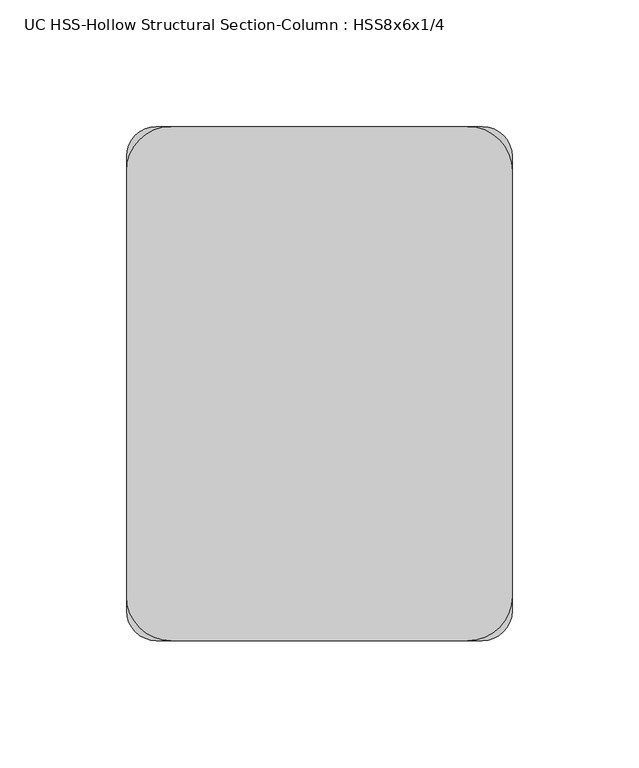
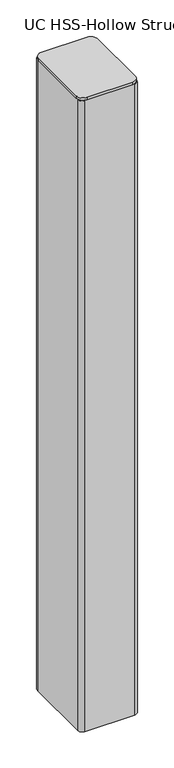
"""IFC4 building model written with IfcOpenShell, lengths in millimetres: column geometry, UC HSS-Hollow Structural Section-Column : HSS8x6x1/4."""

import ifcopenshell
import ifcopenshell.guid

model = None  # the IFC model being written
_history = None  # IfcOwnerHistory: only IFC2X3 demands one
_inside = {}  # id of a spatial element -> (the spatial element, [elements in it])
_under = {}  # id of a project, library or spatial element -> (it, [spatial elements below it])
_declared = {}  # id of a project -> (the project, [libraries it declares])
_typed = {}  # id of a type object -> (the type object, [elements of that type])
_made_of = {}  # id of a material, layer set ... -> (it, [elements and type objects made of it])


def new_model(schema):
    """Start an empty IFC model of exactly this schema.

    Asked for "IFC4X3", IfcOpenShell would pick the latest addendum, in which some entities
    have other attributes; the version numbers below select the first issue.
    IFC2X3 requires an IfcOwnerHistory on every rooted entity: one is made here for all.
    """
    global model, _history
    if schema == "IFC4X3":
        model = ifcopenshell.file(schema_version=(4, 3, 0, 0))
    else:
        model = ifcopenshell.file(schema=schema)
    _inside.clear()
    _under.clear()
    _declared.clear()
    _typed.clear()
    _made_of.clear()
    _history = None
    if model.schema == "IFC2X3":
        org = make("IfcOrganization", Name="unknown")
        user = make(
            "IfcPersonAndOrganization",
            ThePerson=make("IfcPerson", FamilyName="unknown"),
            TheOrganization=org,
        )
        app = make(
            "IfcApplication",
            ApplicationDeveloper=org,
            Version="unknown",
            ApplicationFullName="unknown",
            ApplicationIdentifier="unknown",
        )
        _history = make(
            "IfcOwnerHistory",
            OwningUser=user,
            OwningApplication=app,
            ChangeAction="ADDED",
            CreationDate=0,
        )
    return model


def make(cls, **values):
    """One entity of the class cls with the attributes given. An attribute that is None is left unset."""
    return model.create_entity(
        cls, **{name: value for name, value in values.items() if value is not None}
    )


def rooted(cls, **values):
    """An entity with a GlobalId (a new one), such as an element, a storey or a relation."""
    return make(cls, GlobalId=ifcopenshell.guid.new(), OwnerHistory=_history, **values)


def si_unit(unit_type, name, prefix=None):
    """IfcSIUnit, for example si_unit("LENGTHUNIT", "METRE", prefix="MILLI")."""
    return make("IfcSIUnit", UnitType=unit_type, Prefix=prefix, Name=name)


def assignment(units):
    """IfcUnitAssignment: the units of a project."""
    return None if units is None else make("IfcUnitAssignment", Units=units)


def point(xyz):
    """IfcCartesianPoint."""
    return None if xyz is None else make("IfcCartesianPoint", Coordinates=xyz)


def direction(xyz):
    """IfcDirection."""
    return None if xyz is None else make("IfcDirection", DirectionRatios=xyz)


def frame(location, z_axis=None, x_axis=None):
    """IfcAxis2Placement3D, a coordinate frame: its origin and axes. An axis left out is left unset."""
    return make(
        "IfcAxis2Placement3D",
        Location=point(location),
        Axis=direction(z_axis),
        RefDirection=direction(x_axis),
    )


def frame_2d(location, x_axis=None):
    """IfcAxis2Placement2D, a coordinate frame in the plane: its origin and x axis."""
    return make(
        "IfcAxis2Placement2D", Location=point(location), RefDirection=direction(x_axis)
    )


def origin():
    """The frame at (0, 0, 0) with its axes left unset."""
    return frame((0.0, 0.0, 0.0))


def place(relative_to, where):
    """IfcLocalPlacement: puts the frame where relative to a parent placement (None: the world)."""
    return make(
        "IfcLocalPlacement", PlacementRelTo=relative_to, RelativePlacement=where
    )


def context(
    kind, dimensions, precision=None, world=None, true_north=None, identifier=None
):
    """IfcGeometricRepresentationContext, for example the 3D "Model" context."""
    return make(
        "IfcGeometricRepresentationContext",
        ContextIdentifier=identifier,
        ContextType=kind,
        CoordinateSpaceDimension=dimensions,
        Precision=precision,
        WorldCoordinateSystem=world,
        TrueNorth=true_north,
    )


def project(units=None, contexts=None):
    """IfcProject with its units and contexts."""
    return rooted(
        "IfcProject",
        Name="project",
        RepresentationContexts=contexts,
        UnitsInContext=assignment(units),
    )


def spatial(cls, under=None, at=None, **own):
    """A site, building, storey or space (cls), placed at a placement, below another one or the project."""
    s = rooted(cls, ObjectPlacement=at, **own)
    if under is not None:
        _under.setdefault(under.id(), (under, []))[1].append(s)
    return s


def polyline(points):
    """IfcPolyline through the points."""
    return make("IfcPolyline", Points=[point(p) for p in points])


def circle_curve(where, radius):
    """IfcCircle in the frame where."""
    return make("IfcCircle", Position=where, Radius=radius)


def trimmed(basis, trim1, trim2, sense, master):
    """IfcTrimmedCurve: the piece of a basis curve between two trims."""
    return make(
        "IfcTrimmedCurve",
        BasisCurve=basis,
        Trim1=trim1,
        Trim2=trim2,
        SenseAgreement=sense,
        MasterRepresentation=master,
    )


def segment(curve, same_sense, transition):
    """IfcCompositeCurveSegment."""
    return make(
        "IfcCompositeCurveSegment",
        Transition=transition,
        SameSense=same_sense,
        ParentCurve=curve,
    )


def composite_curve(segments, self_intersect=None):
    """IfcCompositeCurve: segments joined end to end."""
    return make("IfcCompositeCurve", Segments=segments, SelfIntersect=self_intersect)


def outline(outer, holes=None, kind="AREA"):
    """IfcArbitraryClosedProfileDef: a profile drawn as a closed curve; with holes, ...WithVoids."""
    if holes is None:
        return make("IfcArbitraryClosedProfileDef", ProfileType=kind, OuterCurve=outer)
    return make(
        "IfcArbitraryProfileDefWithVoids",
        ProfileType=kind,
        OuterCurve=outer,
        InnerCurves=holes,
    )


def extrude(swept, where, along, depth):
    """IfcExtrudedAreaSolid: the profile swept, set in the frame where, extruded along a direction by depth."""
    return make(
        "IfcExtrudedAreaSolid",
        SweptArea=swept,
        Position=where,
        ExtrudedDirection=direction(along),
        Depth=depth,
    )


def shape(context_of_items, identifier, shape_type, items):
    """IfcShapeRepresentation: the items that make up one representation, for example the "Body"."""
    return make(
        "IfcShapeRepresentation",
        ContextOfItems=context_of_items,
        RepresentationIdentifier=identifier,
        RepresentationType=shape_type,
        Items=items,
    )


def source(mapping_origin, context_of_items, identifier, shape_type, items):
    """IfcRepresentationMap: a shape defined once, which mapped items show again and again."""
    return make(
        "IfcRepresentationMap",
        MappingOrigin=mapping_origin,
        MappedRepresentation=shape(context_of_items, identifier, shape_type, items),
    )


def transform(
    local_origin,
    x_axis=None,
    y_axis=None,
    z_axis=None,
    scale=None,
    scale2=None,
    scale3=None,
    uniform=True,
):
    """IfcCartesianTransformationOperator3D, or its non-uniform kind. x_axis, y_axis, z_axis: its Axis1, 2, 3."""
    if uniform:
        return make(
            "IfcCartesianTransformationOperator3D",
            Axis1=direction(x_axis),
            Axis2=direction(y_axis),
            LocalOrigin=point(local_origin),
            Scale=scale,
            Axis3=direction(z_axis),
        )
    return make(
        "IfcCartesianTransformationOperator3DnonUniform",
        Axis1=direction(x_axis),
        Axis2=direction(y_axis),
        LocalOrigin=point(local_origin),
        Scale=scale,
        Axis3=direction(z_axis),
        Scale2=scale2,
        Scale3=scale3,
    )


def mapped(mapping_source, mapping_target):
    """IfcMappedItem: shows the shape of a source again, moved by a transform."""
    return make(
        "IfcMappedItem", MappingSource=mapping_source, MappingTarget=mapping_target
    )


def made_of(thing, what):
    """Note that an element or type object is made of a material, layer set ...; save() writes the relation."""
    if what is not None:
        _made_of.setdefault(what.id(), (what, []))[1].append(thing)
    return thing


def element(
    cls,
    number,
    at=None,
    inside=None,
    cuts=None,
    type_object=None,
    material=None,
    context=None,
    identifier="Body",
    shape_type=None,
    held_by="IfcProductDefinitionShape",
    body=None,
    shapes=None,
    **own,
):
    """One element of the class cls, such as IfcWall. Its Tag is "e" and its number.

    at: its placement. inside: the storey or other place that contains it. cuts: it is an
    opening in that element (IfcRelVoidsElement). A single representation is given by context,
    identifier, shape_type and body (its items); several are given by shapes. held_by: the class
    of the entity that holds the representations. save() writes the other relations.
    """
    e = rooted(cls, Tag="e%d" % number, ObjectPlacement=at, **own)
    if body is not None:
        shapes = [shape(context, identifier, shape_type, body)]
    if shapes is not None:
        e.Representation = make(held_by, Representations=shapes)
    if inside is not None:
        _inside.setdefault(inside.id(), (inside, []))[1].append(e)
    if cuts is not None:
        rooted(
            "IfcRelVoidsElement", RelatingBuildingElement=cuts, RelatedOpeningElement=e
        )
    if type_object is not None:
        _typed.setdefault(type_object.id(), (type_object, []))[1].append(e)
    return made_of(e, material)


def aggregate(whole, parts):
    """IfcRelAggregates: a whole, such as a stair, and the parts it consists of."""
    return rooted("IfcRelAggregates", RelatingObject=whole, RelatedObjects=parts)


def save(model, path):
    """Write the relations noted so far, then the file.

    IfcRelAggregates (storeys below a building ...), IfcRelContainedInSpatialStructure (elements
    in a storey), IfcRelDefinesByType, IfcRelAssociatesMaterial and IfcRelDeclares: one each for
    every whole, place, type object, material and project.
    """
    for whole, parts in _under.values():
        aggregate(whole, parts)
    for where, things in _inside.values():
        rooted(
            "IfcRelContainedInSpatialStructure",
            RelatedElements=things,
            RelatingStructure=where,
        )
    for kind, things in _typed.values():
        rooted("IfcRelDefinesByType", RelatedObjects=things, RelatingType=kind)
    for what, things in _made_of.values():
        rooted("IfcRelAssociatesMaterial", RelatedObjects=things, RelatingMaterial=what)
    for by, libraries in _declared.values():
        rooted("IfcRelDeclares", RelatingContext=by, RelatedDefinitions=libraries)
    model.write(path)


def uc_hss_hollow_structural_section_column_hss8x6x1_4_5bd94cc3(model_context):
    return source(origin(), model_context, "Body", "SweptSolid", [
        extrude(outline(composite_curve([segment(trimmed(circle_curve(frame_2d((-58.5390625, 83.9390625)), 17.6609375), [point((-76.2, 83.9390625))], [point((-58.5390625, 101.6))], False, "CARTESIAN"), True, "CONTINUOUS"), segment(polyline([(-58.5390625, 101.6), (58.5390625, 101.6)]), True, "CONTINUOUS"), segment(trimmed(circle_curve(frame_2d((58.5390625, 83.9390625)), 17.6609375), [point((58.5390625, 101.6))], [point((76.2, 83.9390625))], False, "CARTESIAN"), True, "CONTINUOUS"), segment(polyline([(76.2, 83.9390625), (76.2, -83.9390625)]), True, "CONTINUOUS"), segment(trimmed(circle_curve(frame_2d((58.5390625, -83.9390625)), 17.6609375), [point((76.2, -83.9390625))], [point((58.5390625, -101.6))], False, "CARTESIAN"), True, "CONTINUOUS"), segment(polyline([(58.5390625, -101.6), (-58.5390625, -101.6)]), True, "CONTINUOUS"), segment(trimmed(circle_curve(frame_2d((-58.5390625, -83.9390625)), 17.6609375), [point((-58.5390625, -101.6))], [point((-76.2, -83.9390625))], False, "CARTESIAN"), True, "CONTINUOUS"), segment(polyline([(-76.2, -83.9390625), (-76.2, 83.9390625)]), True, "CONTINUOUS")], self_intersect=False)), frame((0.0, 0.0, 41852.85), z_axis=(0.0, 0.0, 1.0), x_axis=(1.0, 0.0, 0.0)), (0.0, 0.0, 1.0), 6.35),
        extrude(outline(composite_curve([segment(trimmed(circle_curve(frame_2d((64.3636, 89.7636)), 11.8364), [point((64.3636, 101.6))], [point((76.2, 89.7636))], False, "CARTESIAN"), True, "CONTINUOUS"), segment(polyline([(76.2, 89.7636), (76.2, -89.7636)]), True, "CONTINUOUS"), segment(trimmed(circle_curve(frame_2d((64.3636, -89.7636)), 11.8364), [point((76.2, -89.7636))], [point((64.3636, -101.6))], False, "CARTESIAN"), True, "CONTINUOUS"), segment(polyline([(64.3636, -101.6), (-64.3636, -101.6)]), True, "CONTINUOUS"), segment(trimmed(circle_curve(frame_2d((-64.3636, -89.7636)), 11.8364), [point((-64.3636, -101.6))], [point((-76.2, -89.7636))], False, "CARTESIAN"), True, "CONTINUOUS"), segment(polyline([(-76.2, -89.7636), (-76.2, 89.7636)]), True, "CONTINUOUS"), segment(trimmed(circle_curve(frame_2d((-64.3636, 89.7636)), 11.8364), [point((-76.2, 89.7636))], [point((-64.3636, 101.6))], False, "CARTESIAN"), True, "CONTINUOUS"), segment(polyline([(-64.3636, 101.6), (64.3636, 101.6)]), True, "CONTINUOUS")], self_intersect=False), holes=[composite_curve([segment(polyline([(64.3636, 95.6818), (-64.3636, 95.6818)]), True, "CONTINUOUS"), segment(trimmed(circle_curve(frame_2d((-64.3636, 89.7636)), 5.9182), [point((-64.3636, 95.6818))], [point((-70.2818, 89.7636))], True, "CARTESIAN"), True, "CONTINUOUS"), segment(polyline([(-70.2818, 89.7636), (-70.2818, -89.7636)]), True, "CONTINUOUS"), segment(trimmed(circle_curve(frame_2d((-64.3636, -89.7636)), 5.9182), [point((-70.2818, -89.7636))], [point((-64.3636, -95.6818))], True, "CARTESIAN"), True, "CONTINUOUS"), segment(polyline([(-64.3636, -95.6818), (64.3636, -95.6818)]), True, "CONTINUOUS"), segment(trimmed(circle_curve(frame_2d((64.3636, -89.7636)), 5.9182), [point((64.3636, -95.6818))], [point((70.2818, -89.7636))], True, "CARTESIAN"), True, "CONTINUOUS"), segment(polyline([(70.2818, -89.7636), (70.2818, 89.7636)]), True, "CONTINUOUS"), segment(trimmed(circle_curve(frame_2d((64.3636, 89.7636)), 5.9182), [point((70.2818, 89.7636))], [point((64.3636, 95.6818))], True, "CARTESIAN"), True, "CONTINUOUS")], self_intersect=False)]), frame((0.0, 0.0, 40132.0), z_axis=(0.0, 0.0, 1.0), x_axis=(1.0, 0.0, 0.0)), (0.0, 0.0, 1.0), 1720.85),
    ])


if __name__ == "__main__":
    model = new_model("IFC4")
    model_context = context("Model", 3, world=origin())
    ifc_project = project(units=[si_unit("LENGTHUNIT", "METRE", prefix="MILLI")], contexts=[model_context])
    site = spatial("IfcSite", under=ifc_project)
    building = spatial("IfcBuilding", under=site)
    placement = place(None, origin())
    uc_hss_hollow_structural_section_column_hss8x6x1_4_shape = uc_hss_hollow_structural_section_column_hss8x6x1_4_5bd94cc3(model_context)
    element("IfcColumn", 1, ObjectType="UC HSS-Hollow Structural Section-Column : HSS8x6x1/4", at=placement, inside=building, context=model_context, shape_type="MappedRepresentation", body=[
        mapped(uc_hss_hollow_structural_section_column_hss8x6x1_4_shape, transform((0.0, 0.0, 0.0), x_axis=(1.0, 0.0, 0.0), y_axis=(0.0, 1.0, 0.0), z_axis=(0.0, 0.0, 1.0))),
    ])
    save(model, "model.ifc")
